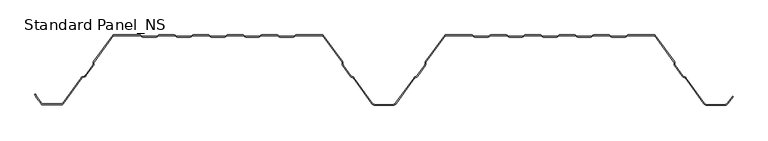
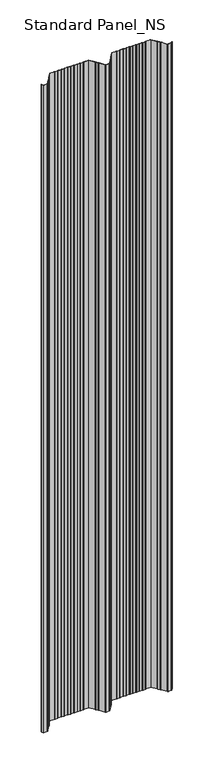
"""IFC4 building model written with IfcOpenShell, lengths in millimetres: proxy geometry, Standard Panel_NS."""

from ifc_helpers import new_model, si_unit, point, frame, frame_2d, origin, place, context, project, spatial, polyline, circle_curve, trimmed, segment, composite_curve, outline, extrude, source, transform, mapped, element, save


def standard_panel_ns_8d88cfc8(model_context):
    return source(origin(), model_context, "Body", "SweptSolid", [
        extrude(outline(composite_curve([segment(polyline([(-491.8230656, -98.864737), (-498.391455, -89.8048897), (-500.5883845, -85.4014829), (-499.6935696, -84.9550455), (-497.5334489, -89.2846747), (-491.0134552, -98.2777695)]), True, "CONTINUOUS"), segment(trimmed(circle_curve(frame_2d((-489.5977664, -97.2513951)), 1.7486049), [point((-491.0134552, -98.2777695))], [point((-489.5977664, -99.0))], True, "CARTESIAN"), True, "CONTINUOUS"), segment(polyline([(-489.5977664, -99.0), (-462.4022336, -99.0)]), True, "CONTINUOUS"), segment(trimmed(circle_curve(frame_2d((-462.4022336, -97.2513951)), 1.7486049), [point((-462.4022336, -99.0))], [point((-460.9865448, -98.2777695))], True, "CARTESIAN"), True, "CONTINUOUS"), segment(polyline([(-460.9865448, -98.2777695), (-434.1908292, -61.3181617)]), True, "CONTINUOUS"), segment(trimmed(circle_curve(frame_2d((-431.96553, -62.9315037)), 2.7486049), [point((-434.1908292, -61.3181617))], [point((-432.9221697, -60.3547481))], False, "CARTESIAN"), True, "CONTINUOUS"), segment(polyline([(-432.9221697, -60.3547481), (-429.1284966, -58.9463185)]), True, "CONTINUOUS"), segment(trimmed(circle_curve(frame_2d((-429.7370908, -57.3070406)), 1.7486049), [point((-429.1284966, -58.9463185))], [point((-428.321402, -58.333415))], True, "CARTESIAN"), True, "CONTINUOUS"), segment(polyline([(-428.321402, -58.333415), (-417.5718646, -43.5064668)]), True, "CONTINUOUS"), segment(trimmed(circle_curve(frame_2d((-418.9875533, -42.4800924)), 1.7486049), [point((-417.5718646, -43.5064668))], [point((-417.240299, -42.5488047))], True, "CARTESIAN"), True, "CONTINUOUS"), segment(polyline([(-417.240299, -42.5488047), (-417.1521237, -40.3066321)]), True, "CONTINUOUS"), segment(trimmed(circle_curve(frame_2d((-414.4056417, -40.4146398)), 2.7486049), [point((-417.1521237, -40.3066321))], [point((-416.6309409, -38.8012978))], False, "CARTESIAN"), True, "CONTINUOUS"), segment(polyline([(-416.6309409, -38.8012978), (-388.5, 0.0), (-350.1655439, 0.0)]), True, "CONTINUOUS"), segment(trimmed(circle_curve(frame_2d((-350.1655439, -2.7486049)), 2.7486049), [point((-350.1655439, 0.0))], [point((-348.6408923, -0.4616274))], False, "CARTESIAN"), True, "CONTINUOUS"), segment(polyline([(-348.6408923, -0.4616274), (-346.7738498, -1.7063223)]), True, "CONTINUOUS"), segment(trimmed(circle_curve(frame_2d((-345.8038984, -0.2513951)), 1.7486049), [point((-346.7738498, -1.7063223))], [point((-345.8038984, -2.0))], True, "CARTESIAN"), True, "CONTINUOUS"), segment(polyline([(-345.8038984, -2.0), (-326.8627683, -2.0)]), True, "CONTINUOUS"), segment(trimmed(circle_curve(frame_2d((-326.8627683, -0.2513951)), 1.7486049), [point((-326.8627683, -2.0))], [point((-325.8928168, -1.7063223))], True, "CARTESIAN"), True, "CONTINUOUS"), segment(polyline([(-325.8928168, -1.7063223), (-324.0257744, -0.4616274)]), True, "CONTINUOUS"), segment(trimmed(circle_curve(frame_2d((-322.5011227, -2.7486049)), 2.7486049), [point((-324.0257744, -0.4616274))], [point((-322.5011227, 0.0))], False, "CARTESIAN"), True, "CONTINUOUS"), segment(polyline([(-322.5011227, 0.0), (-300.9988773, 0.0)]), True, "CONTINUOUS"), segment(trimmed(circle_curve(frame_2d((-300.9988773, -2.7486049)), 2.7486049), [point((-300.9988773, 0.0))], [point((-299.4742256, -0.4616274))], False, "CARTESIAN"), True, "CONTINUOUS"), segment(polyline([(-299.4742256, -0.4616274), (-297.6071832, -1.7063223)]), True, "CONTINUOUS"), segment(trimmed(circle_curve(frame_2d((-296.6372317, -0.2513951)), 1.7486049), [point((-297.6071832, -1.7063223))], [point((-296.6372317, -2.0))], True, "CARTESIAN"), True, "CONTINUOUS"), segment(polyline([(-296.6372317, -2.0), (-277.6961016, -2.0)]), True, "CONTINUOUS"), segment(trimmed(circle_curve(frame_2d((-277.6961016, -0.2513951)), 1.7486049), [point((-277.6961016, -2.0))], [point((-276.7261502, -1.7063223))], True, "CARTESIAN"), True, "CONTINUOUS"), segment(polyline([(-276.7261502, -1.7063223), (-274.8591077, -0.4616274)]), True, "CONTINUOUS"), segment(trimmed(circle_curve(frame_2d((-273.3344561, -2.7486049)), 2.7486049), [point((-274.8591077, -0.4616274))], [point((-273.3344561, 0.0))], False, "CARTESIAN"), True, "CONTINUOUS"), segment(polyline([(-273.3344561, 0.0), (-251.8322106, 0.0)]), True, "CONTINUOUS"), segment(trimmed(circle_curve(frame_2d((-251.8322106, -2.7486049)), 2.7486049), [point((-251.8322106, 0.0))], [point((-250.3075589, -0.4616274))], False, "CARTESIAN"), True, "CONTINUOUS"), segment(polyline([(-250.3075589, -0.4616274), (-248.4405165, -1.7063223)]), True, "CONTINUOUS"), segment(trimmed(circle_curve(frame_2d((-247.470565, -0.2513951)), 1.7486049), [point((-248.4405165, -1.7063223))], [point((-247.470565, -2.0))], True, "CARTESIAN"), True, "CONTINUOUS"), segment(polyline([(-247.470565, -2.0), (-228.529435, -2.0)]), True, "CONTINUOUS"), segment(trimmed(circle_curve(frame_2d((-228.529435, -0.2513951)), 1.7486049), [point((-228.529435, -2.0))], [point((-227.5594835, -1.7063223))], True, "CARTESIAN"), True, "CONTINUOUS"), segment(polyline([(-227.5594835, -1.7063223), (-225.6924411, -0.4616274)]), True, "CONTINUOUS"), segment(trimmed(circle_curve(frame_2d((-224.1677894, -2.7486049)), 2.7486049), [point((-225.6924411, -0.4616274))], [point((-224.1677894, 0.0))], False, "CARTESIAN"), True, "CONTINUOUS"), segment(polyline([(-224.1677894, 0.0), (-202.6655439, 0.0)]), True, "CONTINUOUS"), segment(trimmed(circle_curve(frame_2d((-202.6655439, -2.7486049)), 2.7486049), [point((-202.6655439, 0.0))], [point((-201.1408923, -0.4616274))], False, "CARTESIAN"), True, "CONTINUOUS"), segment(polyline([(-201.1408923, -0.4616274), (-199.2738498, -1.7063223)]), True, "CONTINUOUS"), segment(trimmed(circle_curve(frame_2d((-198.3038984, -0.2513951)), 1.7486049), [point((-199.2738498, -1.7063223))], [point((-198.3038984, -2.0))], True, "CARTESIAN"), True, "CONTINUOUS"), segment(polyline([(-198.3038984, -2.0), (-179.3627683, -2.0)]), True, "CONTINUOUS"), segment(trimmed(circle_curve(frame_2d((-179.3627683, -0.2513951)), 1.7486049), [point((-179.3627683, -2.0))], [point((-178.3928168, -1.7063223))], True, "CARTESIAN"), True, "CONTINUOUS"), segment(polyline([(-178.3928168, -1.7063223), (-176.5257744, -0.4616274)]), True, "CONTINUOUS"), segment(trimmed(circle_curve(frame_2d((-175.0011227, -2.7486049)), 2.7486049), [point((-176.5257744, -0.4616274))], [point((-175.0011227, 0.0))], False, "CARTESIAN"), True, "CONTINUOUS"), segment(polyline([(-175.0011227, 0.0), (-153.4988773, 0.0)]), True, "CONTINUOUS"), segment(trimmed(circle_curve(frame_2d((-153.4988773, -2.7486049)), 2.7486049), [point((-153.4988773, 0.0))], [point((-151.9742256, -0.4616274))], False, "CARTESIAN"), True, "CONTINUOUS"), segment(polyline([(-151.9742256, -0.4616274), (-150.1071832, -1.7063223)]), True, "CONTINUOUS"), segment(trimmed(circle_curve(frame_2d((-149.1372317, -0.2513951)), 1.7486049), [point((-150.1071832, -1.7063223))], [point((-149.1372317, -2.0))], True, "CARTESIAN"), True, "CONTINUOUS"), segment(polyline([(-149.1372317, -2.0), (-130.1961016, -2.0)]), True, "CONTINUOUS"), segment(trimmed(circle_curve(frame_2d((-130.1961016, -0.2513951)), 1.7486049), [point((-130.1961016, -2.0))], [point((-129.2261502, -1.7063223))], True, "CARTESIAN"), True, "CONTINUOUS"), segment(polyline([(-129.2261502, -1.7063223), (-127.3591077, -0.4616274)]), True, "CONTINUOUS"), segment(trimmed(circle_curve(frame_2d((-125.8344561, -2.7486049)), 2.7486049), [point((-127.3591077, -0.4616274))], [point((-125.8344561, 0.0))], False, "CARTESIAN"), True, "CONTINUOUS"), segment(polyline([(-125.8344561, 0.0), (-87.5, 0.0), (-59.3690591, -38.8012978)]), True, "CONTINUOUS"), segment(trimmed(circle_curve(frame_2d((-61.5943583, -40.4146398)), 2.7486049), [point((-59.3690591, -38.8012978))], [point((-58.8478763, -40.3066321))], False, "CARTESIAN"), True, "CONTINUOUS"), segment(polyline([(-58.8478763, -40.3066321), (-58.759701, -42.5488047)]), True, "CONTINUOUS"), segment(trimmed(circle_curve(frame_2d((-57.0124467, -42.4800924)), 1.7486049), [point((-58.759701, -42.5488047))], [point((-58.4281354, -43.5064668))], True, "CARTESIAN"), True, "CONTINUOUS"), segment(polyline([(-58.4281354, -43.5064668), (-47.3103063, -58.8414035)]), True, "CONTINUOUS"), segment(trimmed(circle_curve(frame_2d((-45.8946175, -57.8150291)), 1.7486049), [point((-47.3103063, -58.8414035))], [point((-46.5032117, -59.4543071))], True, "CARTESIAN"), True, "CONTINUOUS"), segment(polyline([(-46.5032117, -59.4543071), (-44.3996004, -60.2352885)]), True, "CONTINUOUS"), segment(trimmed(circle_curve(frame_2d((-45.3562402, -62.8120441)), 2.7486049), [point((-44.3996004, -60.2352885))], [point((-43.1309409, -61.1987022))], False, "CARTESIAN"), True, "CONTINUOUS"), segment(polyline([(-43.1309409, -61.1987022), (-16.4972426, -97.9348379)]), True, "CONTINUOUS"), segment(trimmed(circle_curve(frame_2d((-12.4491903, -95.0)), 5.0), [point((-16.4972426, -97.9348379))], [point((-12.4491903, -100.0))], True, "CARTESIAN"), True, "CONTINUOUS"), segment(polyline([(-12.4491903, -100.0), (12.4491903, -100.0)]), True, "CONTINUOUS"), segment(trimmed(circle_curve(frame_2d((12.4491903, -95.0)), 5.0), [point((12.4491903, -100.0))], [point((16.4972426, -97.9348379))], True, "CARTESIAN"), True, "CONTINUOUS"), segment(polyline([(16.4972426, -97.9348379), (43.1309409, -61.1987022)]), True, "CONTINUOUS"), segment(trimmed(circle_curve(frame_2d((45.3562402, -62.8120441)), 2.7486049), [point((43.1309409, -61.1987022))], [point((44.3996004, -60.2352885))], False, "CARTESIAN"), True, "CONTINUOUS"), segment(polyline([(44.3996004, -60.2352885), (46.5032117, -59.4543071)]), True, "CONTINUOUS"), segment(trimmed(circle_curve(frame_2d((45.8946175, -57.8150291)), 1.7486049), [point((46.5032117, -59.4543071))], [point((47.3103063, -58.8414035))], True, "CARTESIAN"), True, "CONTINUOUS"), segment(polyline([(47.3103063, -58.8414035), (58.4281354, -43.5064668)]), True, "CONTINUOUS"), segment(trimmed(circle_curve(frame_2d((57.0124467, -42.4800924)), 1.7486049), [point((58.4281354, -43.5064668))], [point((58.759701, -42.5488047))], True, "CARTESIAN"), True, "CONTINUOUS"), segment(polyline([(58.759701, -42.5488047), (58.8478763, -40.3066321)]), True, "CONTINUOUS"), segment(trimmed(circle_curve(frame_2d((61.5943583, -40.4146398)), 2.7486049), [point((58.8478763, -40.3066321))], [point((59.3690591, -38.8012978))], False, "CARTESIAN"), True, "CONTINUOUS"), segment(polyline([(59.3690591, -38.8012978), (87.5, 0.0), (125.8344561, 0.0)]), True, "CONTINUOUS"), segment(trimmed(circle_curve(frame_2d((125.8344561, -2.7486049)), 2.7486049), [point((125.8344561, 0.0))], [point((127.3591077, -0.4616274))], False, "CARTESIAN"), True, "CONTINUOUS"), segment(polyline([(127.3591077, -0.4616274), (129.2261502, -1.7063223)]), True, "CONTINUOUS"), segment(trimmed(circle_curve(frame_2d((130.1961016, -0.2513951)), 1.7486049), [point((129.2261502, -1.7063223))], [point((130.1961016, -2.0))], True, "CARTESIAN"), True, "CONTINUOUS"), segment(polyline([(130.1961016, -2.0), (149.1372317, -2.0)]), True, "CONTINUOUS"), segment(trimmed(circle_curve(frame_2d((149.1372317, -0.2513951)), 1.7486049), [point((149.1372317, -2.0))], [point((150.1071832, -1.7063223))], True, "CARTESIAN"), True, "CONTINUOUS"), segment(polyline([(150.1071832, -1.7063223), (151.9742256, -0.4616274)]), True, "CONTINUOUS"), segment(trimmed(circle_curve(frame_2d((153.4988773, -2.7486049)), 2.7486049), [point((151.9742256, -0.4616274))], [point((153.4988773, 0.0))], False, "CARTESIAN"), True, "CONTINUOUS"), segment(polyline([(153.4988773, 0.0), (175.0011227, 0.0)]), True, "CONTINUOUS"), segment(trimmed(circle_curve(frame_2d((175.0011227, -2.7486049)), 2.7486049), [point((175.0011227, 0.0))], [point((176.5257744, -0.4616274))], False, "CARTESIAN"), True, "CONTINUOUS"), segment(polyline([(176.5257744, -0.4616274), (178.3928168, -1.7063223)]), True, "CONTINUOUS"), segment(trimmed(circle_curve(frame_2d((179.3627683, -0.2513951)), 1.7486049), [point((178.3928168, -1.7063223))], [point((179.3627683, -2.0))], True, "CARTESIAN"), True, "CONTINUOUS"), segment(polyline([(179.3627683, -2.0), (198.3038984, -2.0)]), True, "CONTINUOUS"), segment(trimmed(circle_curve(frame_2d((198.3038984, -0.2513951)), 1.7486049), [point((198.3038984, -2.0))], [point((199.2738498, -1.7063223))], True, "CARTESIAN"), True, "CONTINUOUS"), segment(polyline([(199.2738498, -1.7063223), (201.1408923, -0.4616274)]), True, "CONTINUOUS"), segment(trimmed(circle_curve(frame_2d((202.6655439, -2.7486049)), 2.7486049), [point((201.1408923, -0.4616274))], [point((202.6655439, 0.0))], False, "CARTESIAN"), True, "CONTINUOUS"), segment(polyline([(202.6655439, 0.0), (224.1677894, 0.0)]), True, "CONTINUOUS"), segment(trimmed(circle_curve(frame_2d((224.1677894, -2.7486049)), 2.7486049), [point((224.1677894, 0.0))], [point((225.6924411, -0.4616274))], False, "CARTESIAN"), True, "CONTINUOUS"), segment(polyline([(225.6924411, -0.4616274), (227.5594835, -1.7063223)]), True, "CONTINUOUS"), segment(trimmed(circle_curve(frame_2d((228.529435, -0.2513951)), 1.7486049), [point((227.5594835, -1.7063223))], [point((228.529435, -2.0))], True, "CARTESIAN"), True, "CONTINUOUS"), segment(polyline([(228.529435, -2.0), (247.470565, -2.0)]), True, "CONTINUOUS"), segment(trimmed(circle_curve(frame_2d((247.470565, -0.2513951)), 1.7486049), [point((247.470565, -2.0))], [point((248.4405165, -1.7063223))], True, "CARTESIAN"), True, "CONTINUOUS"), segment(polyline([(248.4405165, -1.7063223), (250.3075589, -0.4616274)]), True, "CONTINUOUS"), segment(trimmed(circle_curve(frame_2d((251.8322106, -2.7486049)), 2.7486049), [point((250.3075589, -0.4616274))], [point((251.8322106, 0.0))], False, "CARTESIAN"), True, "CONTINUOUS"), segment(polyline([(251.8322106, 0.0), (273.3344561, 0.0)]), True, "CONTINUOUS"), segment(trimmed(circle_curve(frame_2d((273.3344561, -2.7486049)), 2.7486049), [point((273.3344561, 0.0))], [point((274.8591077, -0.4616274))], False, "CARTESIAN"), True, "CONTINUOUS"), segment(polyline([(274.8591077, -0.4616274), (276.7261502, -1.7063223)]), True, "CONTINUOUS"), segment(trimmed(circle_curve(frame_2d((277.6961016, -0.2513951)), 1.7486049), [point((276.7261502, -1.7063223))], [point((277.6961016, -2.0))], True, "CARTESIAN"), True, "CONTINUOUS"), segment(polyline([(277.6961016, -2.0), (296.6372317, -2.0)]), True, "CONTINUOUS"), segment(trimmed(circle_curve(frame_2d((296.6372317, -0.2513951)), 1.7486049), [point((296.6372317, -2.0))], [point((297.6071832, -1.7063223))], True, "CARTESIAN"), True, "CONTINUOUS"), segment(polyline([(297.6071832, -1.7063223), (299.4742256, -0.4616274)]), True, "CONTINUOUS"), segment(trimmed(circle_curve(frame_2d((300.9988773, -2.7486049)), 2.7486049), [point((299.4742256, -0.4616274))], [point((300.9988773, 0.0))], False, "CARTESIAN"), True, "CONTINUOUS"), segment(polyline([(300.9988773, 0.0), (322.5011227, 0.0)]), True, "CONTINUOUS"), segment(trimmed(circle_curve(frame_2d((322.5011227, -2.7486049)), 2.7486049), [point((322.5011227, 0.0))], [point((324.0257744, -0.4616274))], False, "CARTESIAN"), True, "CONTINUOUS"), segment(polyline([(324.0257744, -0.4616274), (325.8928168, -1.7063223)]), True, "CONTINUOUS"), segment(trimmed(circle_curve(frame_2d((326.8627683, -0.2513951)), 1.7486049), [point((325.8928168, -1.7063223))], [point((326.8627683, -2.0))], True, "CARTESIAN"), True, "CONTINUOUS"), segment(polyline([(326.8627683, -2.0), (345.8038984, -2.0)]), True, "CONTINUOUS"), segment(trimmed(circle_curve(frame_2d((345.8038984, -0.2513951)), 1.7486049), [point((345.8038984, -2.0))], [point((346.7738498, -1.7063223))], True, "CARTESIAN"), True, "CONTINUOUS"), segment(polyline([(346.7738498, -1.7063223), (348.6408923, -0.4616274)]), True, "CONTINUOUS"), segment(trimmed(circle_curve(frame_2d((350.1655439, -2.7486049)), 2.7486049), [point((348.6408923, -0.4616274))], [point((350.1655439, 0.0))], False, "CARTESIAN"), True, "CONTINUOUS"), segment(polyline([(350.1655439, 0.0), (388.5, 0.0), (416.6309409, -38.8012978)]), True, "CONTINUOUS"), segment(trimmed(circle_curve(frame_2d((414.4056417, -40.4146398)), 2.7486049), [point((416.6309409, -38.8012978))], [point((417.1521237, -40.3066321))], False, "CARTESIAN"), True, "CONTINUOUS"), segment(polyline([(417.1521237, -40.3066321), (417.240299, -42.5488047)]), True, "CONTINUOUS"), segment(trimmed(circle_curve(frame_2d((418.9875533, -42.4800924)), 1.7486049), [point((417.240299, -42.5488047))], [point((417.5718646, -43.5064668))], True, "CARTESIAN"), True, "CONTINUOUS"), segment(polyline([(417.5718646, -43.5064668), (428.6896937, -58.8414035)]), True, "CONTINUOUS"), segment(trimmed(circle_curve(frame_2d((430.1053825, -57.8150291)), 1.7486049), [point((428.6896937, -58.8414035))], [point((429.4967883, -59.4543071))], True, "CARTESIAN"), True, "CONTINUOUS"), segment(polyline([(429.4967883, -59.4543071), (431.6003996, -60.2352885)]), True, "CONTINUOUS"), segment(trimmed(circle_curve(frame_2d((430.6437598, -62.8120441)), 2.7486049), [point((431.6003996, -60.2352885))], [point((432.8690591, -61.1987022))], False, "CARTESIAN"), True, "CONTINUOUS"), segment(polyline([(432.8690591, -61.1987022), (459.5027574, -97.9348379)]), True, "CONTINUOUS"), segment(trimmed(circle_curve(frame_2d((463.5508097, -95.0)), 5.0), [point((459.5027574, -97.9348379))], [point((463.5508097, -100.0))], True, "CARTESIAN"), True, "CONTINUOUS"), segment(polyline([(463.5508097, -100.0), (488.4491903, -100.0)]), True, "CONTINUOUS"), segment(trimmed(circle_curve(frame_2d((488.4491903, -95.0)), 5.0), [point((488.4491903, -100.0))], [point((492.4972426, -97.9348379))], True, "CARTESIAN"), True, "CONTINUOUS"), segment(polyline([(492.4972426, -97.9348379), (499.8045136, -87.8558433), (500.614124, -88.4428109), (493.306853, -98.5218054)]), True, "CONTINUOUS"), segment(trimmed(circle_curve(frame_2d((488.4491903, -95.0)), 6.0), [point((493.306853, -98.5218054))], [point((488.4491903, -101.0))], False, "CARTESIAN"), True, "CONTINUOUS"), segment(polyline([(488.4491903, -101.0), (463.5508097, -101.0)]), True, "CONTINUOUS"), segment(trimmed(circle_curve(frame_2d((463.5508097, -95.0)), 6.0), [point((463.5508097, -101.0))], [point((458.693147, -98.5218054))], False, "CARTESIAN"), True, "CONTINUOUS"), segment(polyline([(458.693147, -98.5218054), (432.0594486, -61.7856697)]), True, "CONTINUOUS"), segment(trimmed(circle_curve(frame_2d((430.6437598, -62.8120441)), 1.7486049), [point((432.0594486, -61.7856697))], [point((431.252354, -61.1727662))], True, "CARTESIAN"), True, "CONTINUOUS"), segment(polyline([(431.252354, -61.1727662), (429.1487427, -60.3917847)]), True, "CONTINUOUS"), segment(trimmed(circle_curve(frame_2d((430.1053825, -57.8150291)), 2.7486049), [point((429.1487427, -60.3917847))], [point((427.8800832, -59.4283711))], False, "CARTESIAN"), True, "CONTINUOUS"), segment(polyline([(427.8800832, -59.4283711), (416.7622541, -44.0934344)]), True, "CONTINUOUS"), segment(trimmed(circle_curve(frame_2d((418.9875533, -42.4800924)), 2.7486049), [point((416.7622541, -44.0934344))], [point((416.2410714, -42.5881001))], False, "CARTESIAN"), True, "CONTINUOUS"), segment(polyline([(416.2410714, -42.5881001), (416.152896, -40.3459275)]), True, "CONTINUOUS"), segment(trimmed(circle_curve(frame_2d((414.4056417, -40.4146398)), 1.7486049), [point((416.152896, -40.3459275))], [point((415.8213305, -39.3882654))], True, "CARTESIAN"), True, "CONTINUOUS"), segment(polyline([(415.8213305, -39.3882654), (387.9898381, -1.0), (350.1655439, -1.0)]), True, "CONTINUOUS"), segment(trimmed(circle_curve(frame_2d((350.1655439, -2.7486049)), 1.7486049), [point((350.1655439, -1.0))], [point((349.1955925, -1.2936777))], True, "CARTESIAN"), True, "CONTINUOUS"), segment(polyline([(349.1955925, -1.2936777), (347.32855, -2.5383726)]), True, "CONTINUOUS"), segment(trimmed(circle_curve(frame_2d((345.8038984, -0.2513951)), 2.7486049), [point((347.32855, -2.5383726))], [point((345.8038984, -3.0))], False, "CARTESIAN"), True, "CONTINUOUS"), segment(polyline([(345.8038984, -3.0), (326.8627683, -3.0)]), True, "CONTINUOUS"), segment(trimmed(circle_curve(frame_2d((326.8627683, -0.2513951)), 2.7486049), [point((326.8627683, -3.0))], [point((325.3381166, -2.5383726))], False, "CARTESIAN"), True, "CONTINUOUS"), segment(polyline([(325.3381166, -2.5383726), (323.4710742, -1.2936777)]), True, "CONTINUOUS"), segment(trimmed(circle_curve(frame_2d((322.5011227, -2.7486049)), 1.7486049), [point((323.4710742, -1.2936777))], [point((322.5011227, -1.0))], True, "CARTESIAN"), True, "CONTINUOUS"), segment(polyline([(322.5011227, -1.0), (300.9988773, -1.0)]), True, "CONTINUOUS"), segment(trimmed(circle_curve(frame_2d((300.9988773, -2.7486049)), 1.7486049), [point((300.9988773, -1.0))], [point((300.0289258, -1.2936777))], True, "CARTESIAN"), True, "CONTINUOUS"), segment(polyline([(300.0289258, -1.2936777), (298.1618834, -2.5383726)]), True, "CONTINUOUS"), segment(trimmed(circle_curve(frame_2d((296.6372317, -0.2513951)), 2.7486049), [point((298.1618834, -2.5383726))], [point((296.6372317, -3.0))], False, "CARTESIAN"), True, "CONTINUOUS"), segment(polyline([(296.6372317, -3.0), (277.6961016, -3.0)]), True, "CONTINUOUS"), segment(trimmed(circle_curve(frame_2d((277.6961016, -0.2513951)), 2.7486049), [point((277.6961016, -3.0))], [point((276.17145, -2.5383726))], False, "CARTESIAN"), True, "CONTINUOUS"), segment(polyline([(276.17145, -2.5383726), (274.3044075, -1.2936777)]), True, "CONTINUOUS"), segment(trimmed(circle_curve(frame_2d((273.3344561, -2.7486049)), 1.7486049), [point((274.3044075, -1.2936777))], [point((273.3344561, -1.0))], True, "CARTESIAN"), True, "CONTINUOUS"), segment(polyline([(273.3344561, -1.0), (251.8322106, -1.0)]), True, "CONTINUOUS"), segment(trimmed(circle_curve(frame_2d((251.8322106, -2.7486049)), 1.7486049), [point((251.8322106, -1.0))], [point((250.8622591, -1.2936777))], True, "CARTESIAN"), True, "CONTINUOUS"), segment(polyline([(250.8622591, -1.2936777), (248.9952167, -2.5383726)]), True, "CONTINUOUS"), segment(trimmed(circle_curve(frame_2d((247.470565, -0.2513951)), 2.7486049), [point((248.9952167, -2.5383726))], [point((247.470565, -3.0))], False, "CARTESIAN"), True, "CONTINUOUS"), segment(polyline([(247.470565, -3.0), (228.529435, -3.0)]), True, "CONTINUOUS"), segment(trimmed(circle_curve(frame_2d((228.529435, -0.2513951)), 2.7486049), [point((228.529435, -3.0))], [point((227.0047833, -2.5383726))], False, "CARTESIAN"), True, "CONTINUOUS"), segment(polyline([(227.0047833, -2.5383726), (225.1377409, -1.2936777)]), True, "CONTINUOUS"), segment(trimmed(circle_curve(frame_2d((224.1677894, -2.7486049)), 1.7486049), [point((225.1377409, -1.2936777))], [point((224.1677894, -1.0))], True, "CARTESIAN"), True, "CONTINUOUS"), segment(polyline([(224.1677894, -1.0), (202.6655439, -1.0)]), True, "CONTINUOUS"), segment(trimmed(circle_curve(frame_2d((202.6655439, -2.7486049)), 1.7486049), [point((202.6655439, -1.0))], [point((201.6955925, -1.2936777))], True, "CARTESIAN"), True, "CONTINUOUS"), segment(polyline([(201.6955925, -1.2936777), (199.82855, -2.5383726)]), True, "CONTINUOUS"), segment(trimmed(circle_curve(frame_2d((198.3038984, -0.2513951)), 2.7486049), [point((199.82855, -2.5383726))], [point((198.3038984, -3.0))], False, "CARTESIAN"), True, "CONTINUOUS"), segment(polyline([(198.3038984, -3.0), (179.3627683, -3.0)]), True, "CONTINUOUS"), segment(trimmed(circle_curve(frame_2d((179.3627683, -0.2513951)), 2.7486049), [point((179.3627683, -3.0))], [point((177.8381166, -2.5383726))], False, "CARTESIAN"), True, "CONTINUOUS"), segment(polyline([(177.8381166, -2.5383726), (175.9710742, -1.2936777)]), True, "CONTINUOUS"), segment(trimmed(circle_curve(frame_2d((175.0011227, -2.7486049)), 1.7486049), [point((175.9710742, -1.2936777))], [point((175.0011227, -1.0))], True, "CARTESIAN"), True, "CONTINUOUS"), segment(polyline([(175.0011227, -1.0), (153.4988773, -1.0)]), True, "CONTINUOUS"), segment(trimmed(circle_curve(frame_2d((153.4988773, -2.7486049)), 1.7486049), [point((153.4988773, -1.0))], [point((152.5289258, -1.2936777))], True, "CARTESIAN"), True, "CONTINUOUS"), segment(polyline([(152.5289258, -1.2936777), (150.6618834, -2.5383726)]), True, "CONTINUOUS"), segment(trimmed(circle_curve(frame_2d((149.1372317, -0.2513951)), 2.7486049), [point((150.6618834, -2.5383726))], [point((149.1372317, -3.0))], False, "CARTESIAN"), True, "CONTINUOUS"), segment(polyline([(149.1372317, -3.0), (130.1961016, -3.0)]), True, "CONTINUOUS"), segment(trimmed(circle_curve(frame_2d((130.1961016, -0.2513951)), 2.7486049), [point((130.1961016, -3.0))], [point((128.67145, -2.5383726))], False, "CARTESIAN"), True, "CONTINUOUS"), segment(polyline([(128.67145, -2.5383726), (126.8044075, -1.2936777)]), True, "CONTINUOUS"), segment(trimmed(circle_curve(frame_2d((125.8344561, -2.7486049)), 1.7486049), [point((126.8044075, -1.2936777))], [point((125.8344561, -1.0))], True, "CARTESIAN"), True, "CONTINUOUS"), segment(polyline([(125.8344561, -1.0), (88.0101619, -1.0), (60.1786695, -39.3882654)]), True, "CONTINUOUS"), segment(trimmed(circle_curve(frame_2d((61.5943583, -40.4146398)), 1.7486049), [point((60.1786695, -39.3882654))], [point((59.847104, -40.3459275))], True, "CARTESIAN"), True, "CONTINUOUS"), segment(polyline([(59.847104, -40.3459275), (59.7589286, -42.5881001)]), True, "CONTINUOUS"), segment(trimmed(circle_curve(frame_2d((57.0124467, -42.4800924)), 2.7486049), [point((59.7589286, -42.5881001))], [point((59.2377459, -44.0934344))], False, "CARTESIAN"), True, "CONTINUOUS"), segment(polyline([(59.2377459, -44.0934344), (48.1199168, -59.4283711)]), True, "CONTINUOUS"), segment(trimmed(circle_curve(frame_2d((45.8946175, -57.8150291)), 2.7486049), [point((48.1199168, -59.4283711))], [point((46.8512573, -60.3917847))], False, "CARTESIAN"), True, "CONTINUOUS"), segment(polyline([(46.8512573, -60.3917847), (44.747646, -61.1727662)]), True, "CONTINUOUS"), segment(trimmed(circle_curve(frame_2d((45.3562402, -62.8120441)), 1.7486049), [point((44.747646, -61.1727662))], [point((43.9405514, -61.7856697))], True, "CARTESIAN"), True, "CONTINUOUS"), segment(polyline([(43.9405514, -61.7856697), (17.306853, -98.5218054)]), True, "CONTINUOUS"), segment(trimmed(circle_curve(frame_2d((12.4491903, -95.0)), 6.0), [point((17.306853, -98.5218054))], [point((12.4491903, -101.0))], False, "CARTESIAN"), True, "CONTINUOUS"), segment(polyline([(12.4491903, -101.0), (-12.4491903, -101.0)]), True, "CONTINUOUS"), segment(trimmed(circle_curve(frame_2d((-12.4491903, -95.0)), 6.0), [point((-12.4491903, -101.0))], [point((-17.306853, -98.5218054))], False, "CARTESIAN"), True, "CONTINUOUS"), segment(polyline([(-17.306853, -98.5218054), (-43.9405514, -61.7856697)]), True, "CONTINUOUS"), segment(trimmed(circle_curve(frame_2d((-45.3562402, -62.8120441)), 1.7486049), [point((-43.9405514, -61.7856697))], [point((-44.747646, -61.1727662))], True, "CARTESIAN"), True, "CONTINUOUS"), segment(polyline([(-44.747646, -61.1727662), (-46.8512573, -60.3917847)]), True, "CONTINUOUS"), segment(trimmed(circle_curve(frame_2d((-45.8946175, -57.8150291)), 2.7486049), [point((-46.8512573, -60.3917847))], [point((-48.1199168, -59.4283711))], False, "CARTESIAN"), True, "CONTINUOUS"), segment(polyline([(-48.1199168, -59.4283711), (-59.2377459, -44.0934344)]), True, "CONTINUOUS"), segment(trimmed(circle_curve(frame_2d((-57.0124467, -42.4800924)), 2.7486049), [point((-59.2377459, -44.0934344))], [point((-59.7589286, -42.5881001))], False, "CARTESIAN"), True, "CONTINUOUS"), segment(polyline([(-59.7589286, -42.5881001), (-59.847104, -40.3459275)]), True, "CONTINUOUS"), segment(trimmed(circle_curve(frame_2d((-61.5943583, -40.4146398)), 1.7486049), [point((-59.847104, -40.3459275))], [point((-60.1786695, -39.3882654))], True, "CARTESIAN"), True, "CONTINUOUS"), segment(polyline([(-60.1786695, -39.3882654), (-88.0101619, -1.0), (-125.8344561, -1.0)]), True, "CONTINUOUS"), segment(trimmed(circle_curve(frame_2d((-125.8344561, -2.7486049)), 1.7486049), [point((-125.8344561, -1.0))], [point((-126.8044075, -1.2936777))], True, "CARTESIAN"), True, "CONTINUOUS"), segment(polyline([(-126.8044075, -1.2936777), (-128.67145, -2.5383726)]), True, "CONTINUOUS"), segment(trimmed(circle_curve(frame_2d((-130.1961016, -0.2513951)), 2.7486049), [point((-128.67145, -2.5383726))], [point((-130.1961016, -3.0))], False, "CARTESIAN"), True, "CONTINUOUS"), segment(polyline([(-130.1961016, -3.0), (-149.1372317, -3.0)]), True, "CONTINUOUS"), segment(trimmed(circle_curve(frame_2d((-149.1372317, -0.2513951)), 2.7486049), [point((-149.1372317, -3.0))], [point((-150.6618834, -2.5383726))], False, "CARTESIAN"), True, "CONTINUOUS"), segment(polyline([(-150.6618834, -2.5383726), (-152.5289258, -1.2936777)]), True, "CONTINUOUS"), segment(trimmed(circle_curve(frame_2d((-153.4988773, -2.7486049)), 1.7486049), [point((-152.5289258, -1.2936777))], [point((-153.4988773, -1.0))], True, "CARTESIAN"), True, "CONTINUOUS"), segment(polyline([(-153.4988773, -1.0), (-175.0011227, -1.0)]), True, "CONTINUOUS"), segment(trimmed(circle_curve(frame_2d((-175.0011227, -2.7486049)), 1.7486049), [point((-175.0011227, -1.0))], [point((-175.9710742, -1.2936777))], True, "CARTESIAN"), True, "CONTINUOUS"), segment(polyline([(-175.9710742, -1.2936777), (-177.8381166, -2.5383726)]), True, "CONTINUOUS"), segment(trimmed(circle_curve(frame_2d((-179.3627683, -0.2513951)), 2.7486049), [point((-177.8381166, -2.5383726))], [point((-179.3627683, -3.0))], False, "CARTESIAN"), True, "CONTINUOUS"), segment(polyline([(-179.3627683, -3.0), (-198.3038984, -3.0)]), True, "CONTINUOUS"), segment(trimmed(circle_curve(frame_2d((-198.3038984, -0.2513951)), 2.7486049), [point((-198.3038984, -3.0))], [point((-199.82855, -2.5383726))], False, "CARTESIAN"), True, "CONTINUOUS"), segment(polyline([(-199.82855, -2.5383726), (-201.6955925, -1.2936777)]), True, "CONTINUOUS"), segment(trimmed(circle_curve(frame_2d((-202.6655439, -2.7486049)), 1.7486049), [point((-201.6955925, -1.2936777))], [point((-202.6655439, -1.0))], True, "CARTESIAN"), True, "CONTINUOUS"), segment(polyline([(-202.6655439, -1.0), (-224.1677894, -1.0)]), True, "CONTINUOUS"), segment(trimmed(circle_curve(frame_2d((-224.1677894, -2.7486049)), 1.7486049), [point((-224.1677894, -1.0))], [point((-225.1377409, -1.2936777))], True, "CARTESIAN"), True, "CONTINUOUS"), segment(polyline([(-225.1377409, -1.2936777), (-227.0047833, -2.5383726)]), True, "CONTINUOUS"), segment(trimmed(circle_curve(frame_2d((-228.529435, -0.2513951)), 2.7486049), [point((-227.0047833, -2.5383726))], [point((-228.529435, -3.0))], False, "CARTESIAN"), True, "CONTINUOUS"), segment(polyline([(-228.529435, -3.0), (-247.470565, -3.0)]), True, "CONTINUOUS"), segment(trimmed(circle_curve(frame_2d((-247.470565, -0.2513951)), 2.7486049), [point((-247.470565, -3.0))], [point((-248.9952167, -2.5383726))], False, "CARTESIAN"), True, "CONTINUOUS"), segment(polyline([(-248.9952167, -2.5383726), (-250.8622591, -1.2936777)]), True, "CONTINUOUS"), segment(trimmed(circle_curve(frame_2d((-251.8322106, -2.7486049)), 1.7486049), [point((-250.8622591, -1.2936777))], [point((-251.8322106, -1.0))], True, "CARTESIAN"), True, "CONTINUOUS"), segment(polyline([(-251.8322106, -1.0), (-273.3344561, -1.0)]), True, "CONTINUOUS"), segment(trimmed(circle_curve(frame_2d((-273.3344561, -2.7486049)), 1.7486049), [point((-273.3344561, -1.0))], [point((-274.3044075, -1.2936777))], True, "CARTESIAN"), True, "CONTINUOUS"), segment(polyline([(-274.3044075, -1.2936777), (-276.17145, -2.5383726)]), True, "CONTINUOUS"), segment(trimmed(circle_curve(frame_2d((-277.6961016, -0.2513951)), 2.7486049), [point((-276.17145, -2.5383726))], [point((-277.6961016, -3.0))], False, "CARTESIAN"), True, "CONTINUOUS"), segment(polyline([(-277.6961016, -3.0), (-296.6372317, -3.0)]), True, "CONTINUOUS"), segment(trimmed(circle_curve(frame_2d((-296.6372317, -0.2513951)), 2.7486049), [point((-296.6372317, -3.0))], [point((-298.1618834, -2.5383726))], False, "CARTESIAN"), True, "CONTINUOUS"), segment(polyline([(-298.1618834, -2.5383726), (-300.0289258, -1.2936777)]), True, "CONTINUOUS"), segment(trimmed(circle_curve(frame_2d((-300.9988773, -2.7486049)), 1.7486049), [point((-300.0289258, -1.2936777))], [point((-300.9988773, -1.0))], True, "CARTESIAN"), True, "CONTINUOUS"), segment(polyline([(-300.9988773, -1.0), (-322.5011227, -1.0)]), True, "CONTINUOUS"), segment(trimmed(circle_curve(frame_2d((-322.5011227, -2.7486049)), 1.7486049), [point((-322.5011227, -1.0))], [point((-323.4710742, -1.2936777))], True, "CARTESIAN"), True, "CONTINUOUS"), segment(polyline([(-323.4710742, -1.2936777), (-325.3381166, -2.5383726)]), True, "CONTINUOUS"), segment(trimmed(circle_curve(frame_2d((-326.8627683, -0.2513951)), 2.7486049), [point((-325.3381166, -2.5383726))], [point((-326.8627683, -3.0))], False, "CARTESIAN"), True, "CONTINUOUS"), segment(polyline([(-326.8627683, -3.0), (-345.8038984, -3.0)]), True, "CONTINUOUS"), segment(trimmed(circle_curve(frame_2d((-345.8038984, -0.2513951)), 2.7486049), [point((-345.8038984, -3.0))], [point((-347.32855, -2.5383726))], False, "CARTESIAN"), True, "CONTINUOUS"), segment(polyline([(-347.32855, -2.5383726), (-349.1955925, -1.2936777)]), True, "CONTINUOUS"), segment(trimmed(circle_curve(frame_2d((-350.1655439, -2.7486049)), 1.7486049), [point((-349.1955925, -1.2936777))], [point((-350.1655439, -1.0))], True, "CARTESIAN"), True, "CONTINUOUS"), segment(polyline([(-350.1655439, -1.0), (-387.9898381, -1.0), (-415.8213305, -39.3882654)]), True, "CONTINUOUS"), segment(trimmed(circle_curve(frame_2d((-414.4056417, -40.4146398)), 1.7486049), [point((-415.8213305, -39.3882654))], [point((-416.152896, -40.3459275))], True, "CARTESIAN"), True, "CONTINUOUS"), segment(polyline([(-416.152896, -40.3459275), (-416.2410714, -42.5881001)]), True, "CONTINUOUS"), segment(trimmed(circle_curve(frame_2d((-418.9875533, -42.4800924)), 2.7486049), [point((-416.2410714, -42.5881001))], [point((-416.7622541, -44.0934344))], False, "CARTESIAN"), True, "CONTINUOUS"), segment(polyline([(-416.7622541, -44.0934344), (-427.5117915, -58.9203825)]), True, "CONTINUOUS"), segment(trimmed(circle_curve(frame_2d((-429.7370908, -57.3070406)), 2.7486049), [point((-427.5117915, -58.9203825))], [point((-428.780451, -59.8837962))], False, "CARTESIAN"), True, "CONTINUOUS"), segment(polyline([(-428.780451, -59.8837962), (-432.5741242, -61.2922257)]), True, "CONTINUOUS"), segment(trimmed(circle_curve(frame_2d((-431.96553, -62.9315037)), 1.7486049), [point((-432.5741242, -61.2922257))], [point((-433.3812187, -61.9051293))], True, "CARTESIAN"), True, "CONTINUOUS"), segment(polyline([(-433.3812187, -61.9051293), (-460.1769344, -98.864737)]), True, "CONTINUOUS"), segment(trimmed(circle_curve(frame_2d((-462.4022336, -97.2513951)), 2.7486049), [point((-460.1769344, -98.864737))], [point((-462.4022336, -100.0))], False, "CARTESIAN"), True, "CONTINUOUS"), segment(polyline([(-462.4022336, -100.0), (-489.5977664, -100.0)]), True, "CONTINUOUS"), segment(trimmed(circle_curve(frame_2d((-489.5977664, -97.2513951)), 2.7486049), [point((-489.5977664, -100.0))], [point((-491.8230656, -98.864737))], False, "CARTESIAN"), True, "CONTINUOUS")], self_intersect=False)), frame((0.0, 0.0, -250.0), z_axis=(0.0, 0.0, 1.0), x_axis=(1.0, 0.0, 0.0)), (0.0, 0.0, 1.0), 5250.0),
    ])


if __name__ == "__main__":
    model = new_model("IFC4")
    model_context = context("Model", 3, world=origin())
    ifc_project = project(units=[si_unit("LENGTHUNIT", "METRE", prefix="MILLI")], contexts=[model_context])
    site = spatial("IfcSite", under=ifc_project)
    building = spatial("IfcBuilding", under=site)
    placement = place(None, origin())
    standard_panel_ns_shape = standard_panel_ns_8d88cfc8(model_context)
    element("IfcBuildingElementProxy", 1, Name="Standard Panel_NS", ObjectType="Standard Panel_NS", at=placement, inside=building, context=model_context, shape_type="MappedRepresentation", body=[
        mapped(standard_panel_ns_shape, transform((0.0, 0.0, 0.0), x_axis=(1.0, 0.0, 0.0), y_axis=(0.0, 1.0, 0.0), z_axis=(0.0, 0.0, 1.0))),
    ])
    save(model, "model.ifc")
